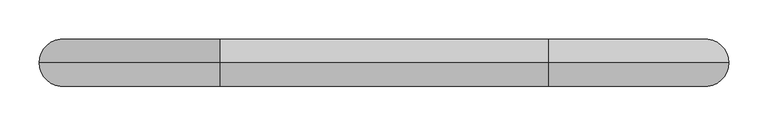
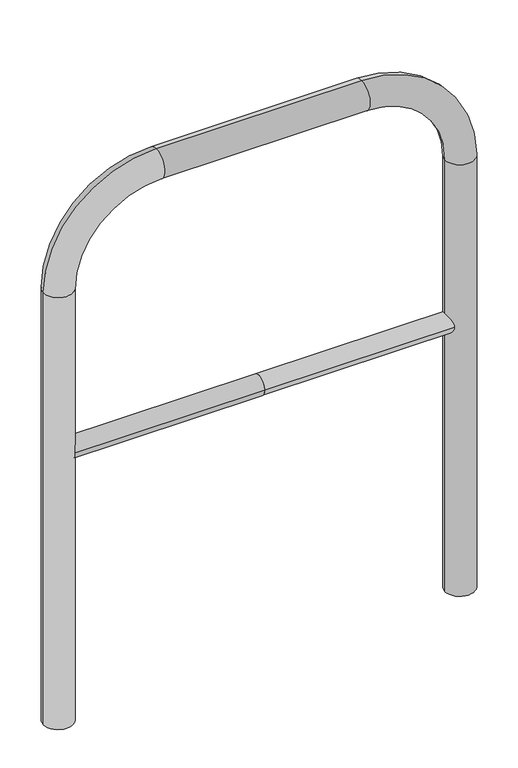
"""IFC4 building model written with IfcOpenShell, lengths in millimetres: proxy geometry."""

from ifc_helpers import new_model, si_unit, point, frame, frame_2d, origin, place, context, project, spatial, circle_curve, ellipse_curve, trimmed, segment, composite_curve, outline, extrude, source, transform, mapped, element, save
from ifc_brep_helpers import plane_surface, cylinder_surface, revolved_surface, advanced_brep


def generic_models_6aacfad5(model_context):
    return source(origin(), model_context, "Body", "SolidModel", [
        extrude(outline(composite_curve([segment(trimmed(circle_curve(frame_2d((0.0, 498.4778375)), 20.0), [point((-20.0, 498.4778375))], [point((20.0, 498.4778375))], False, "CARTESIAN"), True, "CONTINUOUS"), segment(trimmed(circle_curve(frame_2d((0.0, 498.4778375)), 20.0), [point((20.0, 498.4778375))], [point((-20.0, 498.4778375))], False, "CARTESIAN"), True, "CONTINUOUS")], self_intersect=False)), frame((-409.5819207, 0.0, 0.0), z_axis=(1.0, 0.0, 0.0), x_axis=(0.0, 1.0, 0.0)), (0.0, 0.0, 1.0), 409.5819207),
        extrude(outline(composite_curve([segment(trimmed(circle_curve(frame_2d((0.0, 498.4778375)), 20.0), [point((-20.0, 498.4778375))], [point((20.0, 498.4778375))], False, "CARTESIAN"), True, "CONTINUOUS"), segment(trimmed(circle_curve(frame_2d((0.0, 498.4778375)), 20.0), [point((20.0, 498.4778375))], [point((-20.0, 498.4778375))], False, "CARTESIAN"), True, "CONTINUOUS")], self_intersect=False)), frame((0.0, 0.0, 0.0), z_axis=(1.0, 0.0, 0.0), x_axis=(0.0, 1.0, 0.0)), (0.0, 0.0, 1.0), 409.5819207),
        advanced_brep(
        [(-379.5819207, 0.0, -80.0), (-439.5819207, 0.0, -80.0), (-379.5819207, 0.0, 850.0), (-439.5819207, 0.0, 850.0), (-209.5819207, 0.0, 1080.0), (-209.5819207, 0.0, 1020.0), (209.5819207, 0.0, 1020.0), (209.5819207, 0.0, 1080.0), (439.5819207, 0.0, 850.0), (379.5819207, 0.0, 850.0), (379.5819207, 0.0, -80.0), (439.5819207, 0.0, -80.0)],
        [
            (0, 1, circle_curve(frame((-409.5819207, 0.0, -80.0), z_axis=(0.0, 0.0, -1.0), x_axis=(-1.0, 0.0, 0.0)), 30.0)),
            (1, 0, circle_curve(frame((-409.5819207, 0.0, -80.0), z_axis=(0.0, 0.0, -1.0), x_axis=(-1.0, 0.0, 0.0)), 30.0)),
            (0, 2),
            (2, 3, circle_curve(frame((-409.5819207, 0.0, 850.0), z_axis=(0.0, 0.0, -1.0), x_axis=(-1.0, 0.0, 0.0)), 30.0)),
            (3, 1),
            (3, 2, circle_curve(frame((-409.5819207, 0.0, 850.0), z_axis=(0.0, 0.0, -1.0), x_axis=(-1.0, 0.0, 0.0)), 30.0)),
            (4, 3, circle_curve(frame((-209.5819207, 0.0, 850.0), z_axis=(0.0, -1.0, 0.0), x_axis=(-1.0, 0.0, 0.0)), 230.0)),
            (2, 5, circle_curve(frame((-209.5819207, 0.0, 850.0), z_axis=(0.0, 1.0, 0.0), x_axis=(-1.0, 0.0, 0.0)), 170.0)),
            (5, 4, circle_curve(frame((-209.5819207, 0.0, 1050.0), z_axis=(-1.0, 0.0, 0.0), x_axis=(0.0, 0.0, 1.0)), 30.0)),
            (4, 5, circle_curve(frame((-209.5819207, 0.0, 1050.0), z_axis=(-1.0, 0.0, 0.0), x_axis=(0.0, 0.0, 1.0)), 30.0)),
            (5, 6),
            (6, 7, circle_curve(frame((209.5819207, 0.0, 1050.0), z_axis=(-1.0, 0.0, 0.0), x_axis=(0.0, 0.0, 1.0)), 30.0)),
            (7, 4),
            (7, 6, circle_curve(frame((209.5819207, 0.0, 1050.0), z_axis=(-1.0, 0.0, 0.0), x_axis=(0.0, 0.0, 1.0)), 30.0)),
            (8, 7, circle_curve(frame((209.5819207, 0.0, 850.0), z_axis=(0.0, -1.0, 0.0), x_axis=(0.0, 0.0, 1.0)), 230.0)),
            (6, 9, circle_curve(frame((209.5819207, 0.0, 850.0), z_axis=(0.0, 1.0, 0.0), x_axis=(0.0, 0.0, 1.0)), 170.0)),
            (9, 8, circle_curve(frame((409.5819207, 0.0, 850.0), z_axis=(0.0, 0.0, 1.0), x_axis=(1.0, 0.0, 0.0)), 30.0)),
            (8, 9, circle_curve(frame((409.5819207, 0.0, 850.0), z_axis=(0.0, 0.0, 1.0), x_axis=(1.0, 0.0, 0.0)), 30.0)),
            (10, 11, circle_curve(frame((409.5819207, 0.0, -80.0), z_axis=(0.0, 0.0, -1.0), x_axis=(1.0, 0.0, 0.0)), 30.0)),
            (11, 10, circle_curve(frame((409.5819207, 0.0, -80.0), z_axis=(0.0, 0.0, -1.0), x_axis=(1.0, 0.0, 0.0)), 30.0)),
            (9, 10),
            (11, 8),
        ],
        [
            plane_surface(frame((-409.5819207, 0.0, -80.0), z_axis=(0.0, 0.0, -1.0), x_axis=(0.0, -1.0, 0.0))),
            cylinder_surface(frame((-409.5819207, 0.0, -80.0), z_axis=(0.0, 0.0, -1.0), x_axis=(-1.0, 0.0, 0.0)), 30.0),
            revolved_surface(trimmed(ellipse_curve(frame((-409.5819207, 0.0, 850.0), z_axis=(0.0, 0.0, -1.0), x_axis=(-1.0, 0.0, 0.0)), 30.0, 30.0), [point((-379.5819207, 0.0, 850.0))], [point((-439.5819207, 0.0, 850.0))], True, "CARTESIAN"), (-209.5819207, 0.0, 850.0), (0.0, 1.0, 0.0)),
            revolved_surface(trimmed(ellipse_curve(frame((-409.5819207, 0.0, 850.0), z_axis=(0.0, 0.0, -1.0), x_axis=(-1.0, 0.0, 0.0)), 30.0, 30.0), [point((-439.5819207, 0.0, 850.0))], [point((-379.5819207, 0.0, 850.0))], True, "CARTESIAN"), (-209.5819207, 0.0, 850.0), (0.0, 1.0, 0.0)),
            cylinder_surface(frame((-209.5819207, 0.0, 1050.0), z_axis=(-1.0, 0.0, 0.0), x_axis=(0.0, 0.0, 1.0)), 30.0),
            revolved_surface(trimmed(ellipse_curve(frame((209.5819207, 0.0, 1050.0), z_axis=(-1.0, 0.0, 0.0), x_axis=(0.0, 0.0, 1.0)), 30.0, 30.0), [point((209.5819207, 0.0, 1020.0))], [point((209.5819207, 0.0, 1080.0))], True, "CARTESIAN"), (209.5819207, 0.0, 850.0), (0.0, 1.0, 0.0)),
            revolved_surface(trimmed(ellipse_curve(frame((209.5819207, 0.0, 1050.0), z_axis=(-1.0, 0.0, 0.0), x_axis=(0.0, 0.0, 1.0)), 30.0, 30.0), [point((209.5819207, 0.0, 1080.0))], [point((209.5819207, 0.0, 1020.0))], True, "CARTESIAN"), (209.5819207, 0.0, 850.0), (0.0, 1.0, 0.0)),
            plane_surface(frame((409.5819207, 0.0, -80.0), z_axis=(0.0, 0.0, -1.0), x_axis=(0.0, -1.0, 0.0))),
            cylinder_surface(frame((409.5819207, 0.0, 850.0), z_axis=(0.0, 0.0, 1.0), x_axis=(1.0, 0.0, 0.0)), 30.0),
        ],
        [
            (0, [[1, 2]]),
            (1, [[-1, 3, 4, 5]]),
            (1, [[-2, -5, 6, -3]]),
            (2, [[7, -4, 8, 9]]),
            (3, [[-8, -6, -7, 10]]),
            (4, [[-9, 11, 12, 13]]),
            (4, [[-10, -13, 14, -11]]),
            (5, [[15, -12, 16, 17]]),
            (6, [[-16, -14, -15, 18]]),
            (7, [[19, 20]]),
            (8, [[-17, 21, -20, 22]]),
            (8, [[-18, -22, -19, -21]]),
        ],
    ),
    ])


if __name__ == "__main__":
    model = new_model("IFC4")
    model_context = context("Model", 3, world=origin())
    ifc_project = project(units=[si_unit("LENGTHUNIT", "METRE", prefix="MILLI")], contexts=[model_context])
    site = spatial("IfcSite", under=ifc_project)
    building = spatial("IfcBuilding", under=site)
    placement = place(None, origin())
    generic_models_shape = generic_models_6aacfad5(model_context)
    element("IfcBuildingElementProxy", 1, Name="Generic Models", at=placement, inside=building, context=model_context, shape_type="MappedRepresentation", body=[
        mapped(generic_models_shape, transform((0.0, 0.0, 0.0), x_axis=(1.0, 0.0, 0.0), y_axis=(0.0, 1.0, 0.0), z_axis=(0.0, 0.0, 1.0))),
    ])
    save(model, "model.ifc")
